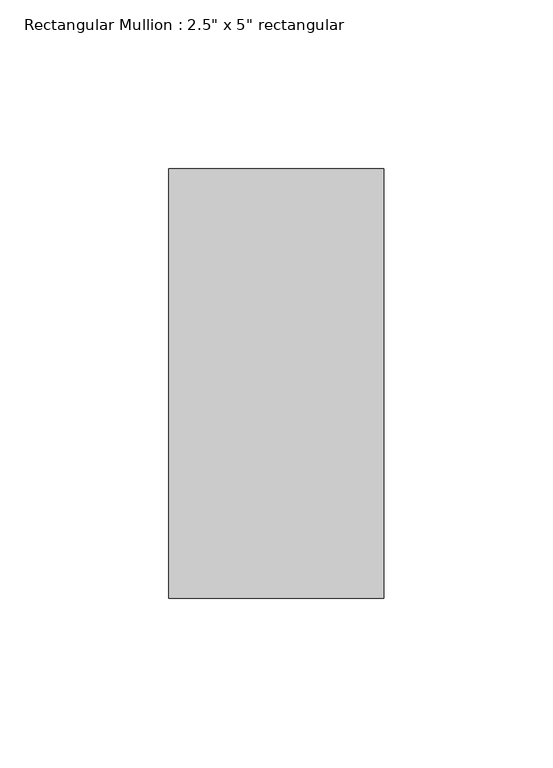
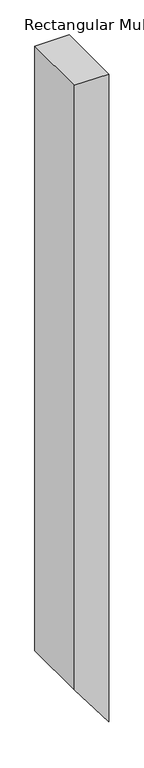
"""IFC4 building model written with IfcOpenShell, lengths in millimetres: member geometry."""

from ifc_helpers import new_model, si_unit, frame, origin, place, context, project, spatial, polyline, outline, extrude, source, transform, mapped, element, save


def member_3f91d965(model_context):
    return source(origin(), model_context, "Body", "SweptSolid", [
        extrude(outline(polyline([(0.0, 0.0), (0.0, -63.5), (-1186.2055371, -63.5), (-1271.1433073, 0.0), (0.0, 0.0)])), frame((0.0, -63.5, 0.0), z_axis=(0.0, 1.0, 0.0), x_axis=(0.0, 0.0, 1.0)), (0.0, 0.0, 1.0), 127.0),
    ])


if __name__ == "__main__":
    model = new_model("IFC4")
    model_context = context("Model", 3, world=origin())
    ifc_project = project(units=[si_unit("LENGTHUNIT", "METRE", prefix="MILLI")], contexts=[model_context])
    site = spatial("IfcSite", under=ifc_project)
    building = spatial("IfcBuilding", under=site)
    placement = place(None, origin())
    member_shape = member_3f91d965(model_context)
    element("IfcMember", 1, ObjectType="Rectangular Mullion : 2.5\" x 5\" rectangular", at=placement, inside=building, context=model_context, shape_type="MappedRepresentation", body=[
        mapped(member_shape, transform((0.0, 0.0, 0.0), x_axis=(1.0, 0.0, 0.0), y_axis=(0.0, 1.0, 0.0), z_axis=(0.0, 0.0, 1.0))),
    ])
    save(model, "model.ifc")
